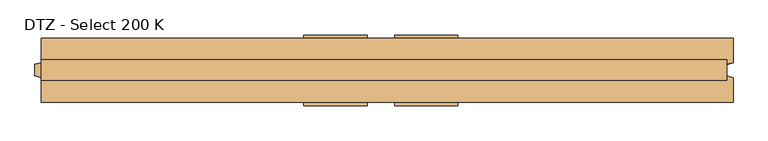
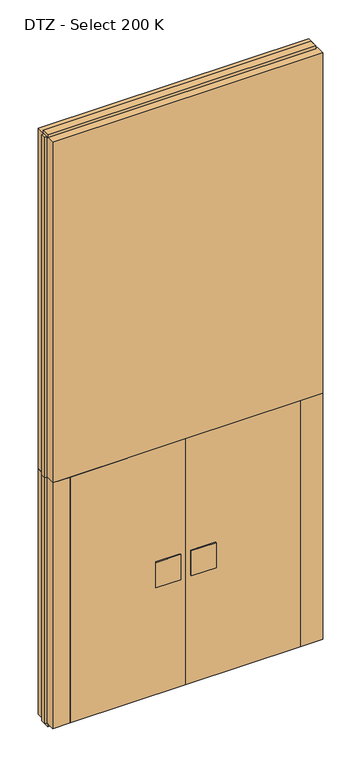
"""IFC4 building model written with IfcOpenShell, lengths in millimetres: door geometry, DTZ - Select 200 K."""

import ifcopenshell
import ifcopenshell.guid

model = None  # the IFC model being written
_history = None  # IfcOwnerHistory: only IFC2X3 demands one
_inside = {}  # id of a spatial element -> (the spatial element, [elements in it])
_under = {}  # id of a project, library or spatial element -> (it, [spatial elements below it])
_declared = {}  # id of a project -> (the project, [libraries it declares])
_typed = {}  # id of a type object -> (the type object, [elements of that type])
_made_of = {}  # id of a material, layer set ... -> (it, [elements and type objects made of it])


def new_model(schema):
    """Start an empty IFC model of exactly this schema.

    Asked for "IFC4X3", IfcOpenShell would pick the latest addendum, in which some entities
    have other attributes; the version numbers below select the first issue.
    IFC2X3 requires an IfcOwnerHistory on every rooted entity: one is made here for all.
    """
    global model, _history
    if schema == "IFC4X3":
        model = ifcopenshell.file(schema_version=(4, 3, 0, 0))
    else:
        model = ifcopenshell.file(schema=schema)
    _inside.clear()
    _under.clear()
    _declared.clear()
    _typed.clear()
    _made_of.clear()
    _history = None
    if model.schema == "IFC2X3":
        org = make("IfcOrganization", Name="unknown")
        user = make(
            "IfcPersonAndOrganization",
            ThePerson=make("IfcPerson", FamilyName="unknown"),
            TheOrganization=org,
        )
        app = make(
            "IfcApplication",
            ApplicationDeveloper=org,
            Version="unknown",
            ApplicationFullName="unknown",
            ApplicationIdentifier="unknown",
        )
        _history = make(
            "IfcOwnerHistory",
            OwningUser=user,
            OwningApplication=app,
            ChangeAction="ADDED",
            CreationDate=0,
        )
    return model


def make(cls, **values):
    """One entity of the class cls with the attributes given. An attribute that is None is left unset."""
    return model.create_entity(
        cls, **{name: value for name, value in values.items() if value is not None}
    )


def rooted(cls, **values):
    """An entity with a GlobalId (a new one), such as an element, a storey or a relation."""
    return make(cls, GlobalId=ifcopenshell.guid.new(), OwnerHistory=_history, **values)


def si_unit(unit_type, name, prefix=None):
    """IfcSIUnit, for example si_unit("LENGTHUNIT", "METRE", prefix="MILLI")."""
    return make("IfcSIUnit", UnitType=unit_type, Prefix=prefix, Name=name)


def assignment(units):
    """IfcUnitAssignment: the units of a project."""
    return None if units is None else make("IfcUnitAssignment", Units=units)


def point(xyz):
    """IfcCartesianPoint."""
    return None if xyz is None else make("IfcCartesianPoint", Coordinates=xyz)


def direction(xyz):
    """IfcDirection."""
    return None if xyz is None else make("IfcDirection", DirectionRatios=xyz)


def frame(location, z_axis=None, x_axis=None):
    """IfcAxis2Placement3D, a coordinate frame: its origin and axes. An axis left out is left unset."""
    return make(
        "IfcAxis2Placement3D",
        Location=point(location),
        Axis=direction(z_axis),
        RefDirection=direction(x_axis),
    )


def origin():
    """The frame at (0, 0, 0) with its axes left unset."""
    return frame((0.0, 0.0, 0.0))


def origin_with_axes():
    """The frame at (0, 0, 0) with the z axis (0, 0, 1) and the x axis (1, 0, 0) written out."""
    return frame((0.0, 0.0, 0.0), z_axis=(0.0, 0.0, 1.0), x_axis=(1.0, 0.0, 0.0))


def place(relative_to, where):
    """IfcLocalPlacement: puts the frame where relative to a parent placement (None: the world)."""
    return make(
        "IfcLocalPlacement", PlacementRelTo=relative_to, RelativePlacement=where
    )


def context(
    kind, dimensions, precision=None, world=None, true_north=None, identifier=None
):
    """IfcGeometricRepresentationContext, for example the 3D "Model" context."""
    return make(
        "IfcGeometricRepresentationContext",
        ContextIdentifier=identifier,
        ContextType=kind,
        CoordinateSpaceDimension=dimensions,
        Precision=precision,
        WorldCoordinateSystem=world,
        TrueNorth=true_north,
    )


def project(units=None, contexts=None):
    """IfcProject with its units and contexts."""
    return rooted(
        "IfcProject",
        Name="project",
        RepresentationContexts=contexts,
        UnitsInContext=assignment(units),
    )


def spatial(cls, under=None, at=None, **own):
    """A site, building, storey or space (cls), placed at a placement, below another one or the project."""
    s = rooted(cls, ObjectPlacement=at, **own)
    if under is not None:
        _under.setdefault(under.id(), (under, []))[1].append(s)
    return s


def polyline(points):
    """IfcPolyline through the points."""
    return make("IfcPolyline", Points=[point(p) for p in points])


def outline(outer, holes=None, kind="AREA"):
    """IfcArbitraryClosedProfileDef: a profile drawn as a closed curve; with holes, ...WithVoids."""
    if holes is None:
        return make("IfcArbitraryClosedProfileDef", ProfileType=kind, OuterCurve=outer)
    return make(
        "IfcArbitraryProfileDefWithVoids",
        ProfileType=kind,
        OuterCurve=outer,
        InnerCurves=holes,
    )


def extrude(swept, where, along, depth):
    """IfcExtrudedAreaSolid: the profile swept, set in the frame where, extruded along a direction by depth."""
    return make(
        "IfcExtrudedAreaSolid",
        SweptArea=swept,
        Position=where,
        ExtrudedDirection=direction(along),
        Depth=depth,
    )


def shape(context_of_items, identifier, shape_type, items):
    """IfcShapeRepresentation: the items that make up one representation, for example the "Body"."""
    return make(
        "IfcShapeRepresentation",
        ContextOfItems=context_of_items,
        RepresentationIdentifier=identifier,
        RepresentationType=shape_type,
        Items=items,
    )


def source(mapping_origin, context_of_items, identifier, shape_type, items):
    """IfcRepresentationMap: a shape defined once, which mapped items show again and again."""
    return make(
        "IfcRepresentationMap",
        MappingOrigin=mapping_origin,
        MappedRepresentation=shape(context_of_items, identifier, shape_type, items),
    )


def transform(
    local_origin,
    x_axis=None,
    y_axis=None,
    z_axis=None,
    scale=None,
    scale2=None,
    scale3=None,
    uniform=True,
):
    """IfcCartesianTransformationOperator3D, or its non-uniform kind. x_axis, y_axis, z_axis: its Axis1, 2, 3."""
    if uniform:
        return make(
            "IfcCartesianTransformationOperator3D",
            Axis1=direction(x_axis),
            Axis2=direction(y_axis),
            LocalOrigin=point(local_origin),
            Scale=scale,
            Axis3=direction(z_axis),
        )
    return make(
        "IfcCartesianTransformationOperator3DnonUniform",
        Axis1=direction(x_axis),
        Axis2=direction(y_axis),
        LocalOrigin=point(local_origin),
        Scale=scale,
        Axis3=direction(z_axis),
        Scale2=scale2,
        Scale3=scale3,
    )


def mapped(mapping_source, mapping_target):
    """IfcMappedItem: shows the shape of a source again, moved by a transform."""
    return make(
        "IfcMappedItem", MappingSource=mapping_source, MappingTarget=mapping_target
    )


def made_of(thing, what):
    """Note that an element or type object is made of a material, layer set ...; save() writes the relation."""
    if what is not None:
        _made_of.setdefault(what.id(), (what, []))[1].append(thing)
    return thing


def element(
    cls,
    number,
    at=None,
    inside=None,
    cuts=None,
    type_object=None,
    material=None,
    context=None,
    identifier="Body",
    shape_type=None,
    held_by="IfcProductDefinitionShape",
    body=None,
    shapes=None,
    **own,
):
    """One element of the class cls, such as IfcWall. Its Tag is "e" and its number.

    at: its placement. inside: the storey or other place that contains it. cuts: it is an
    opening in that element (IfcRelVoidsElement). A single representation is given by context,
    identifier, shape_type and body (its items); several are given by shapes. held_by: the class
    of the entity that holds the representations. save() writes the other relations.
    """
    e = rooted(cls, Tag="e%d" % number, ObjectPlacement=at, **own)
    if body is not None:
        shapes = [shape(context, identifier, shape_type, body)]
    if shapes is not None:
        e.Representation = make(held_by, Representations=shapes)
    if inside is not None:
        _inside.setdefault(inside.id(), (inside, []))[1].append(e)
    if cuts is not None:
        rooted(
            "IfcRelVoidsElement", RelatingBuildingElement=cuts, RelatedOpeningElement=e
        )
    if type_object is not None:
        _typed.setdefault(type_object.id(), (type_object, []))[1].append(e)
    return made_of(e, material)


def aggregate(whole, parts):
    """IfcRelAggregates: a whole, such as a stair, and the parts it consists of."""
    return rooted("IfcRelAggregates", RelatingObject=whole, RelatedObjects=parts)


def save(model, path):
    """Write the relations noted so far, then the file.

    IfcRelAggregates (storeys below a building ...), IfcRelContainedInSpatialStructure (elements
    in a storey), IfcRelDefinesByType, IfcRelAssociatesMaterial and IfcRelDeclares: one each for
    every whole, place, type object, material and project.
    """
    for whole, parts in _under.values():
        aggregate(whole, parts)
    for where, things in _inside.values():
        rooted(
            "IfcRelContainedInSpatialStructure",
            RelatedElements=things,
            RelatingStructure=where,
        )
    for kind, things in _typed.values():
        rooted("IfcRelDefinesByType", RelatedObjects=things, RelatingType=kind)
    for what, things in _made_of.values():
        rooted("IfcRelAssociatesMaterial", RelatedObjects=things, RelatingMaterial=what)
    for by, libraries in _declared.values():
        rooted("IfcRelDeclares", RelatingContext=by, RelatedDefinitions=libraries)
    model.write(path)


def dtz_select_200_k_71b0100a(model_context):
    return source(origin(), model_context, "Body", "SweptSolid", [
        extrude(outline(polyline([(43.0, -110.0), (43.0, -100.0), (240.0, -100.0), (240.0, -110.0), (43.0, -110.0)])), frame((0.0, 0.0, 934.0), z_axis=(0.0, 0.0, 1.0), x_axis=(1.0, 0.0, 0.0)), (0.0, 0.0, 1.0), 212.0),
        extrude(outline(polyline([(43.0, 100.0), (43.0, 110.0), (240.0, 110.0), (240.0, 100.0), (43.0, 100.0)])), frame((0.0, 0.0, 934.0), z_axis=(0.0, 0.0, 1.0), x_axis=(1.0, 0.0, 0.0)), (0.0, 0.0, 1.0), 212.0),
        extrude(outline(polyline([(-920.0, -100.0), (-920.0, 100.0), (0.0, 100.0), (0.0, -100.0), (-920.0, -100.0)])), frame((0.0, 0.0, 25.0), z_axis=(0.0, 0.0, 1.0), x_axis=(1.0, 0.0, 0.0)), (0.0, 0.0, 1.0), 2075.0),
        extrude(outline(polyline([(0.0, -100.0), (0.0, 100.0), (920.0, 100.0), (920.0, -100.0), (0.0, -100.0)])), frame((0.0, 0.0, 25.0), z_axis=(0.0, 0.0, 1.0), x_axis=(1.0, 0.0, 0.0)), (0.0, 0.0, 1.0), 2075.0),
        extrude(outline(polyline([(-240.0, -110.0), (-240.0, -100.0), (-43.0, -100.0), (-43.0, -110.0), (-240.0, -110.0)])), frame((0.0, 0.0, 934.0), z_axis=(0.0, 0.0, 1.0), x_axis=(1.0, 0.0, 0.0)), (0.0, 0.0, 1.0), 212.0),
        extrude(outline(polyline([(-240.0, 100.0), (-240.0, 110.0), (-43.0, 110.0), (-43.0, 100.0), (-240.0, 100.0)])), frame((0.0, 0.0, 934.0), z_axis=(0.0, 0.0, 1.0), x_axis=(1.0, 0.0, 0.0)), (0.0, 0.0, 1.0), 212.0),
        extrude(outline(polyline([(1080.0, 32.0), (1080.0, -32.0), (-1060.0, -32.0), (-1060.0, 32.0), (1080.0, 32.0)])), origin_with_axes(), (0.0, 0.0, 1.0), 25.0),
        extrude(outline(polyline([(1080.0, 32.0), (1080.0, -32.0), (-1060.0, -32.0), (-1060.0, 32.0), (1080.0, 32.0)])), frame((0.0, 0.0, 4975.0), z_axis=(0.0, 0.0, 1.0), x_axis=(1.0, 0.0, 0.0)), (0.0, 0.0, 1.0), 25.0),
        extrude(outline(polyline([(1100.0, -100.0), (920.0, -100.0), (920.0, 100.0), (1100.0, 100.0), (1100.0, 23.0), (1080.0, 17.6410162), (1080.0, -17.6410162), (1100.0, -23.0), (1100.0, -100.0)])), frame((0.0, 0.0, 25.0), z_axis=(0.0, 0.0, 1.0), x_axis=(1.0, 0.0, 0.0)), (0.0, 0.0, 1.0), 2075.0),
        extrude(outline(polyline([(-1060.0, -100.0), (-1060.0, -23.0), (-1080.0, -17.6410162), (-1080.0, 17.6410162), (-1060.0, 23.0), (-1060.0, 100.0), (-920.0, 100.0), (-920.0, -100.0), (-1060.0, -100.0)])), frame((0.0, 0.0, 25.0), z_axis=(0.0, 0.0, 1.0), x_axis=(1.0, 0.0, 0.0)), (0.0, 0.0, 1.0), 2075.0),
        extrude(outline(polyline([(1100.0, 100.0), (1100.0, 23.0), (1080.0, 17.6410162), (1080.0, -17.6410162), (1100.0, -23.0), (1100.0, -100.0), (-1060.0, -100.0), (-1060.0, -23.0), (-1080.0, -17.6410162), (-1080.0, 17.6410162), (-1060.0, 23.0), (-1060.0, 100.0), (1100.0, 100.0)])), frame((0.0, 0.0, 2100.0), z_axis=(0.0, 0.0, 1.0), x_axis=(1.0, 0.0, 0.0)), (0.0, 0.0, 1.0), 2875.0),
    ])


if __name__ == "__main__":
    model = new_model("IFC4")
    model_context = context("Model", 3, world=origin())
    ifc_project = project(units=[si_unit("LENGTHUNIT", "METRE", prefix="MILLI")], contexts=[model_context])
    site = spatial("IfcSite", under=ifc_project)
    building = spatial("IfcBuilding", under=site)
    placement = place(None, origin())
    dtz_select_200_k_shape = dtz_select_200_k_71b0100a(model_context)
    element("IfcDoor", 1, ObjectType="DTZ - Select 200 K", at=placement, inside=building, context=model_context, shape_type="MappedRepresentation", body=[
        mapped(dtz_select_200_k_shape, transform((0.0, 0.0, 0.0), x_axis=(1.0, 0.0, 0.0), y_axis=(0.0, 1.0, 0.0), z_axis=(0.0, 0.0, 1.0))),
    ])
    save(model, "model.ifc")
